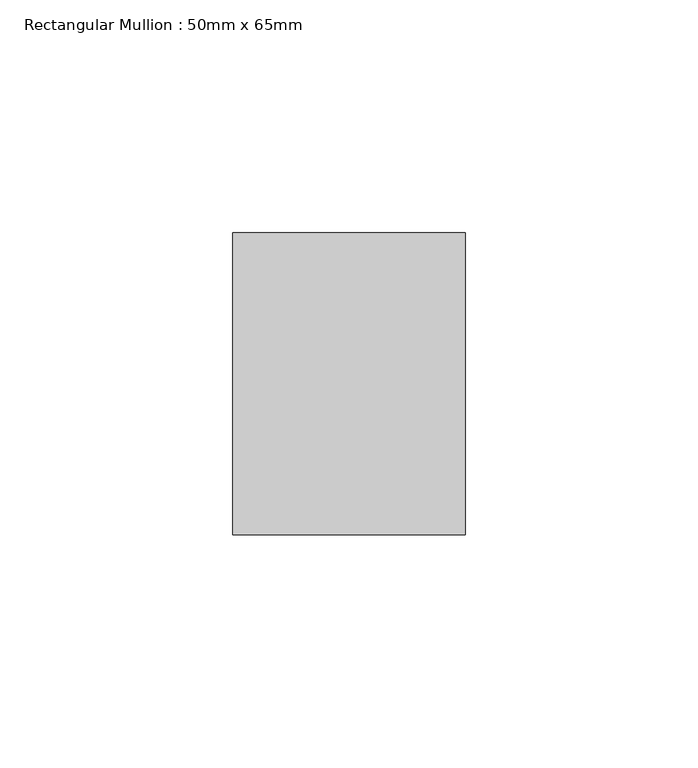
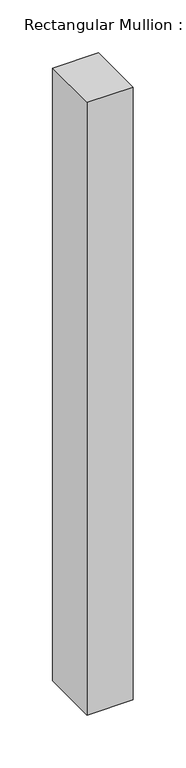
"""IFC4 building model written with IfcOpenShell, lengths in millimetres: member geometry, Rectangular Mullion : 50mm x 65mm."""

from ifc_helpers import new_model, si_unit, frame, origin, place, context, project, spatial, polyline, outline, extrude, source, transform, mapped, element, save


def rectangular_mullion_50mm_x_65mm_2497eeba(model_context):
    return source(origin(), model_context, "Body", "SweptSolid", [
        extrude(outline(polyline([(25.0, 32.5), (25.0, -32.5), (-25.0, -32.5), (-25.0, 32.5), (25.0, 32.5)])), frame((0.0, 0.0, -705.7730697), z_axis=(0.0, 0.0, 1.0), x_axis=(1.0, 0.0, 0.0)), (0.0, 0.0, 1.0), 705.7730697),
    ])


if __name__ == "__main__":
    model = new_model("IFC4")
    model_context = context("Model", 3, world=origin())
    ifc_project = project(units=[si_unit("LENGTHUNIT", "METRE", prefix="MILLI")], contexts=[model_context])
    site = spatial("IfcSite", under=ifc_project)
    building = spatial("IfcBuilding", under=site)
    placement = place(None, origin())
    rectangular_mullion_50mm_x_65mm_shape = rectangular_mullion_50mm_x_65mm_2497eeba(model_context)
    element("IfcMember", 1, ObjectType="Rectangular Mullion : 50mm x 65mm", at=placement, inside=building, context=model_context, shape_type="MappedRepresentation", body=[
        mapped(rectangular_mullion_50mm_x_65mm_shape, transform((0.0, 0.0, 0.0), x_axis=(1.0, 0.0, 0.0), y_axis=(0.0, 1.0, 0.0), z_axis=(0.0, 0.0, 1.0))),
    ])
    save(model, "model.ifc")
